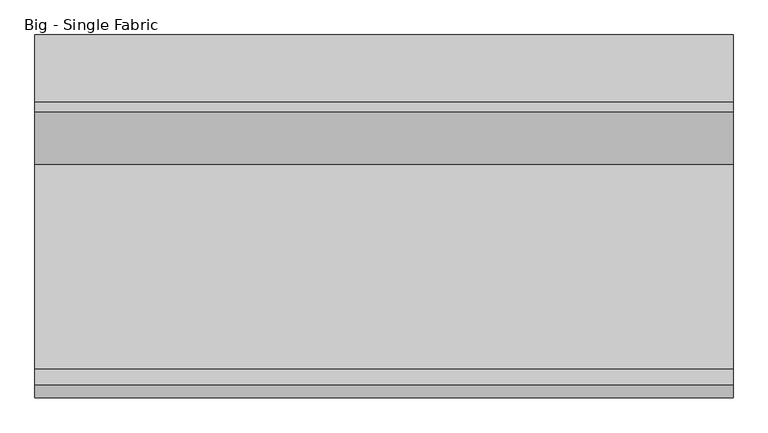
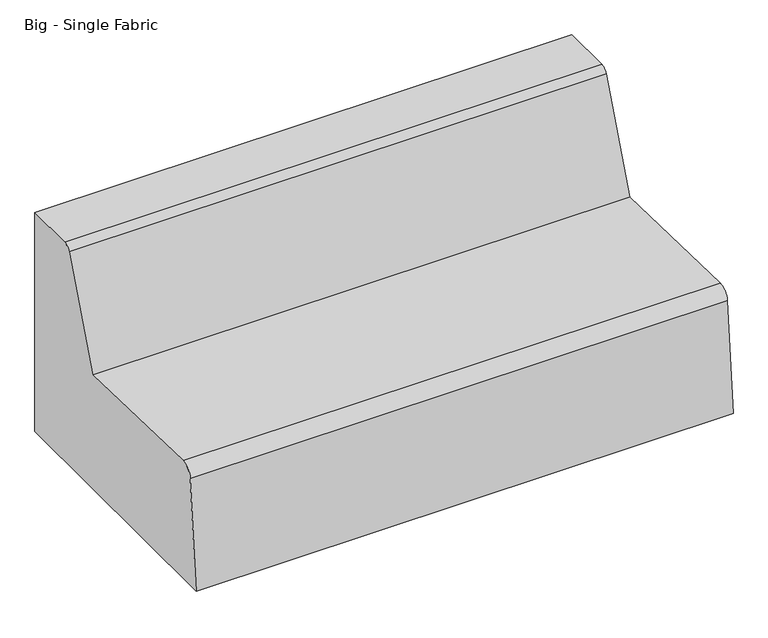
"""IFC4 building model written with IfcOpenShell, lengths in millimetres: furniture geometry, Big - Single Fabric."""

from ifc_helpers import new_model, si_unit, point, frame, frame_2d, origin, origin_with_axes, place, context, project, spatial, polyline, circle_curve, trimmed, segment, composite_curve, outline, extrude, source, transform, mapped, element, save


def big_single_fabric_201c76db(model_context):
    return source(origin(), model_context, "Body", "SweptSolid", [
        extrude(outline(composite_curve([segment(polyline([(-311.3699478, 413.7764151), (-184.4039974, 744.5341548)]), True, "CONTINUOUS"), segment(trimmed(circle_curve(frame_2d((-160.6910534, 735.431612)), 25.4), [point((-184.4039974, 744.5341548))], [point((-160.6910534, 760.831612))], False, "CARTESIAN"), True, "CONTINUOUS"), segment(polyline([(-160.6910534, 760.831612), (0.0, 760.831612), (0.0, 38.1), (-871.0167469, 38.1), (-839.9943551, 392.6878155)]), True, "CONTINUOUS"), segment(trimmed(circle_curve(frame_2d((-802.0393369, 389.3671841)), 38.1), [point((-839.9943551, 392.6878155))], [point((-800.9755231, 427.4523295))], False, "CARTESIAN"), True, "CONTINUOUS"), segment(polyline([(-800.9755231, 427.4523295), (-311.3699478, 413.7764151)]), True, "CONTINUOUS")], self_intersect=False)), frame((-0.254, 0.0, 0.0), z_axis=(1.0, 0.0, 0.0), x_axis=(0.0, 1.0, 0.0)), (0.0, 0.0, 1.0), 1676.4),
        extrude(outline(composite_curve([segment(trimmed(circle_curve(frame_2d((107.696, -114.3)), 25.019), [point((82.677, -114.3))], [point((132.715, -114.3))], False, "CARTESIAN"), True, "CONTINUOUS"), segment(trimmed(circle_curve(frame_2d((107.696, -114.3)), 25.019), [point((132.715, -114.3))], [point((82.677, -114.3))], False, "CARTESIAN"), True, "CONTINUOUS")], self_intersect=False)), origin_with_axes(), (0.0, 0.0, 1.0), 38.1),
        extrude(outline(composite_curve([segment(trimmed(circle_curve(frame_2d((107.696, -756.7168)), 25.019), [point((82.677, -756.7168))], [point((132.715, -756.7168))], False, "CARTESIAN"), True, "CONTINUOUS"), segment(trimmed(circle_curve(frame_2d((107.696, -756.7168)), 25.019), [point((132.715, -756.7168))], [point((82.677, -756.7168))], False, "CARTESIAN"), True, "CONTINUOUS")], self_intersect=False)), origin_with_axes(), (0.0, 0.0, 1.0), 38.1),
        extrude(outline(composite_curve([segment(trimmed(circle_curve(frame_2d((1567.688, -756.7168)), 25.019), [point((1542.669, -756.7168))], [point((1592.707, -756.7168))], False, "CARTESIAN"), True, "CONTINUOUS"), segment(trimmed(circle_curve(frame_2d((1567.688, -756.7168)), 25.019), [point((1592.707, -756.7168))], [point((1542.669, -756.7168))], False, "CARTESIAN"), True, "CONTINUOUS")], self_intersect=False)), origin_with_axes(), (0.0, 0.0, 1.0), 38.1),
        extrude(outline(composite_curve([segment(trimmed(circle_curve(frame_2d((1567.688, -114.3)), 25.019), [point((1542.669, -114.3))], [point((1592.707, -114.3))], False, "CARTESIAN"), True, "CONTINUOUS"), segment(trimmed(circle_curve(frame_2d((1567.688, -114.3)), 25.019), [point((1592.707, -114.3))], [point((1542.669, -114.3))], False, "CARTESIAN"), True, "CONTINUOUS")], self_intersect=False)), origin_with_axes(), (0.0, 0.0, 1.0), 38.1),
    ])


if __name__ == "__main__":
    model = new_model("IFC4")
    model_context = context("Model", 3, world=origin())
    ifc_project = project(units=[si_unit("LENGTHUNIT", "METRE", prefix="MILLI")], contexts=[model_context])
    site = spatial("IfcSite", under=ifc_project)
    building = spatial("IfcBuilding", under=site)
    placement = place(None, origin())
    big_single_fabric_shape = big_single_fabric_201c76db(model_context)
    element("IfcFurniture", 1, ObjectType="Big - Single Fabric", at=placement, inside=building, context=model_context, shape_type="MappedRepresentation", body=[
        mapped(big_single_fabric_shape, transform((0.0, 0.0, 0.0), x_axis=(1.0, 0.0, 0.0), y_axis=(0.0, 1.0, 0.0), z_axis=(0.0, 0.0, 1.0))),
    ])
    save(model, "model.ifc")
